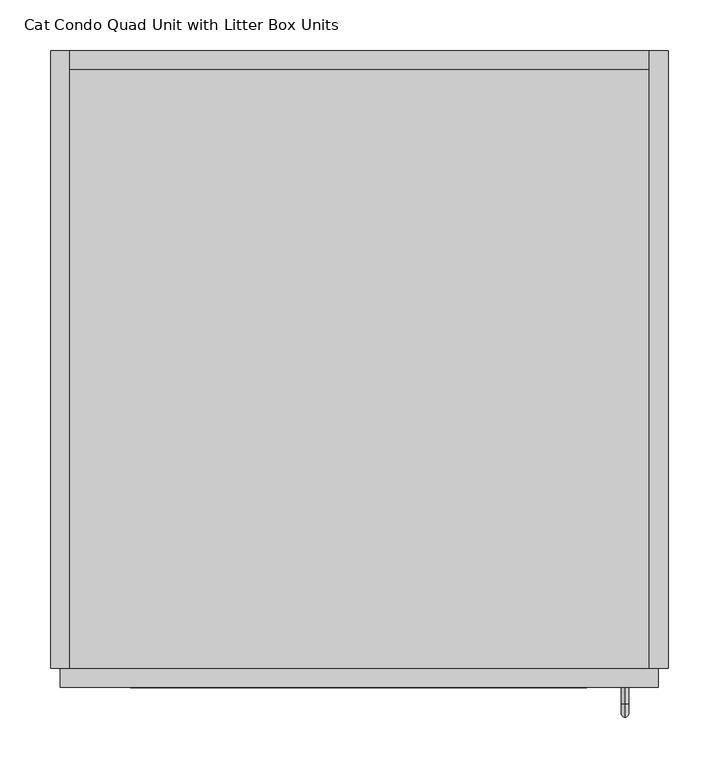
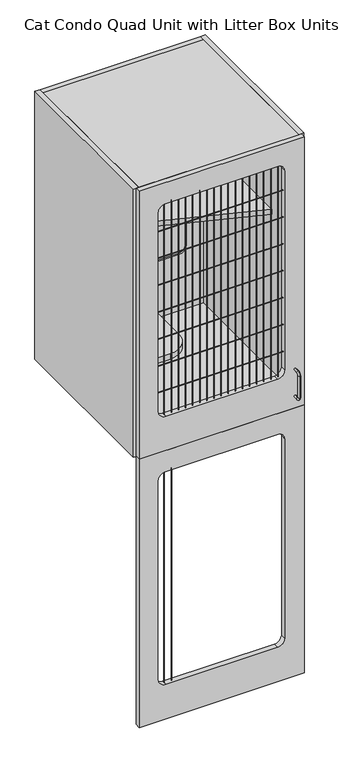
"""IFC4 building model written with IfcOpenShell, lengths in millimetres: proxy geometry, Cat Condo Quad Unit with Litter Box Units."""

from ifc_helpers import new_model, si_unit, point, frame, frame_2d, origin, place, context, project, spatial, polyline, circle_curve, ellipse_curve, trimmed, segment, composite_curve, outline, extrude, source, transform, mapped, element, save
from ifc_brep_helpers import plane_surface, cylinder_surface, revolved_surface, advanced_brep


def cat_condo_quad_unit_with_litter_box_units_dd599755(model_context):
    return source(origin(), model_context, "Body", "SolidModel", [
        extrude(outline(composite_curve([segment(trimmed(circle_curve(frame_2d((130.0919665, -9.6602248)), 0.79375), [point((129.2982165, -9.6602248))], [point((130.8857165, -9.6602248))], False, "CARTESIAN"), True, "CONTINUOUS"), segment(trimmed(circle_curve(frame_2d((130.0919665, -9.6602248)), 0.79375), [point((130.8857165, -9.6602248))], [point((129.2982165, -9.6602248))], False, "CARTESIAN"), True, "CONTINUOUS")], self_intersect=False)), frame((0.0, 0.0, 231.775), z_axis=(0.0, 0.0, 1.0), x_axis=(1.0, 0.0, 0.0)), (0.0, 0.0, 1.0), 803.275),
        extrude(outline(composite_curve([segment(trimmed(circle_curve(frame_2d((104.6919665, -9.6602248)), 0.79375), [point((103.8982165, -9.6602248))], [point((105.4857165, -9.6602248))], False, "CARTESIAN"), True, "CONTINUOUS"), segment(trimmed(circle_curve(frame_2d((104.6919665, -9.6602248)), 0.79375), [point((105.4857165, -9.6602248))], [point((103.8982165, -9.6602248))], False, "CARTESIAN"), True, "CONTINUOUS")], self_intersect=False)), frame((0.0, 0.0, 231.775), z_axis=(0.0, 0.0, 1.0), x_axis=(1.0, 0.0, 0.0)), (0.0, 0.0, 1.0), 803.275),
        extrude(outline(polyline([(1114.425, 600.075), (1114.425, 9.525), (101.6, 9.525), (101.6, 600.075), (1114.425, 600.075)]), holes=[composite_curve([segment(polyline([(1035.05, 103.98125), (1035.05, 504.03125)]), True, "CONTINUOUS"), segment(trimmed(circle_curve(frame_2d((1009.65, 504.03125)), 25.4), [point((1035.05, 504.03125))], [point((1009.65, 529.43125))], True, "CARTESIAN"), True, "CONTINUOUS"), segment(polyline([(1009.65, 529.43125), (257.175, 529.43125)]), True, "CONTINUOUS"), segment(trimmed(circle_curve(frame_2d((257.175, 504.03125)), 25.4), [point((257.175, 529.43125))], [point((231.775, 504.03125))], True, "CARTESIAN"), True, "CONTINUOUS"), segment(polyline([(231.775, 504.03125), (231.775, 103.98125)]), True, "CONTINUOUS"), segment(trimmed(circle_curve(frame_2d((257.175, 103.98125)), 25.4), [point((231.775, 103.98125))], [point((257.175, 78.58125))], True, "CARTESIAN"), True, "CONTINUOUS"), segment(polyline([(257.175, 78.58125), (1009.65, 78.58125)]), True, "CONTINUOUS"), segment(trimmed(circle_curve(frame_2d((1009.65, 103.98125)), 25.4), [point((1009.65, 78.58125))], [point((1035.05, 103.98125))], True, "CARTESIAN"), True, "CONTINUOUS")], self_intersect=False)]), frame((0.0, -19.05, 0.0), z_axis=(0.0, 1.0, 0.0), x_axis=(0.0, 0.0, 1.0)), (0.0, 0.0, 1.0), 19.05),
        advanced_brep(
        [(567.1128423, -19.05, 1256.5493154), (567.1128423, -19.05, 1264.4006846), (567.1128423, -35.2117768, 1256.5493154), (567.1128423, -35.2117768, 1264.4006846), (567.1128423, -48.3756846, 1251.2367768), (567.1128423, -40.5243154, 1251.2367768), (567.1128423, -40.5243154, 1168.1132232), (567.1128423, -48.3756846, 1168.1132232), (567.1128423, -35.2117768, 1154.9493154), (567.1128423, -35.2117768, 1162.8006846), (567.1128423, -19.05, 1162.8006846), (567.1128423, -19.05, 1154.9493154)],
        [
            (0, 1, circle_curve(frame((567.1128423, -19.05, 1260.475), z_axis=(0.0, 1.0, 0.0), x_axis=(0.0, 0.0, 1.0)), 3.9256846)),
            (1, 0, circle_curve(frame((567.1128423, -19.05, 1260.475), z_axis=(0.0, 1.0, 0.0), x_axis=(0.0, 0.0, 1.0)), 3.9256846)),
            (0, 2),
            (2, 3, circle_curve(frame((567.1128423, -35.2117768, 1260.475), z_axis=(0.0, 1.0, 0.0), x_axis=(0.0, 0.0, 1.0)), 3.9256846)),
            (3, 1),
            (3, 2, circle_curve(frame((567.1128423, -35.2117768, 1260.475), z_axis=(0.0, 1.0, 0.0), x_axis=(0.0, 0.0, 1.0)), 3.9256846)),
            (4, 3, circle_curve(frame((567.1128423, -35.2117768, 1251.2367768), z_axis=(-1.0, 0.0, 0.0), x_axis=(0.0, 0.0, 1.0)), 13.1639078)),
            (2, 5, circle_curve(frame((567.1128423, -35.2117768, 1251.2367768), z_axis=(1.0, 0.0, 0.0), x_axis=(0.0, 0.0, 1.0)), 5.3125387)),
            (5, 4, circle_curve(frame((567.1128423, -44.45, 1251.2367768), z_axis=(0.0, 0.0, 1.0), x_axis=(0.0, -1.0, 0.0)), 3.9256846)),
            (4, 5, circle_curve(frame((567.1128423, -44.45, 1251.2367768), z_axis=(0.0, 0.0, 1.0), x_axis=(0.0, -1.0, 0.0)), 3.9256846)),
            (5, 6),
            (6, 7, circle_curve(frame((567.1128423, -44.45, 1168.1132232), z_axis=(0.0, 0.0, 1.0), x_axis=(0.0, -1.0, 0.0)), 3.9256846)),
            (7, 4),
            (7, 6, circle_curve(frame((567.1128423, -44.45, 1168.1132232), z_axis=(0.0, 0.0, 1.0), x_axis=(0.0, -1.0, 0.0)), 3.9256846)),
            (8, 7, circle_curve(frame((567.1128423, -35.2117768, 1168.1132232), z_axis=(-1.0, 0.0, 0.0), x_axis=(0.0, -1.0, 0.0)), 13.1639078)),
            (6, 9, circle_curve(frame((567.1128423, -35.2117768, 1168.1132232), z_axis=(1.0, 0.0, 0.0), x_axis=(0.0, -1.0, 0.0)), 5.3125387)),
            (9, 8, circle_curve(frame((567.1128423, -35.2117768, 1158.875), z_axis=(0.0, -1.0, 0.0), x_axis=(0.0, 0.0, -1.0)), 3.9256846)),
            (8, 9, circle_curve(frame((567.1128423, -35.2117768, 1158.875), z_axis=(0.0, -1.0, 0.0), x_axis=(0.0, 0.0, -1.0)), 3.9256846)),
            (10, 11, circle_curve(frame((567.1128423, -19.05, 1158.875), z_axis=(0.0, 1.0, 0.0), x_axis=(0.0, 0.0, -1.0)), 3.9256846)),
            (11, 10, circle_curve(frame((567.1128423, -19.05, 1158.875), z_axis=(0.0, 1.0, 0.0), x_axis=(0.0, 0.0, -1.0)), 3.9256846)),
            (9, 10),
            (11, 8),
        ],
        [
            plane_surface(frame((567.1128423, -19.05, 1260.475), z_axis=(0.0, 1.0, 0.0), x_axis=(1.0, 0.0, 0.0))),
            cylinder_surface(frame((567.1128423, -19.05, 1260.475), z_axis=(0.0, 1.0, 0.0), x_axis=(0.0, 0.0, 1.0)), 3.9256846),
            revolved_surface(trimmed(ellipse_curve(frame((567.1128423, -35.2117768, 1260.475), z_axis=(0.0, 1.0, 0.0), x_axis=(0.0, 0.0, 1.0)), 3.9256846, 3.9256846), [point((567.1128423, -35.2117768, 1256.5493154))], [point((567.1128423, -35.2117768, 1264.4006846))], True, "CARTESIAN"), (567.1128423, -35.2117768, 1251.2367768), (1.0, 0.0, 0.0)),
            revolved_surface(trimmed(ellipse_curve(frame((567.1128423, -35.2117768, 1260.475), z_axis=(0.0, 1.0, 0.0), x_axis=(0.0, 0.0, 1.0)), 3.9256846, 3.9256846), [point((567.1128423, -35.2117768, 1264.4006846))], [point((567.1128423, -35.2117768, 1256.5493154))], True, "CARTESIAN"), (567.1128423, -35.2117768, 1251.2367768), (1.0, 0.0, 0.0)),
            cylinder_surface(frame((567.1128423, -44.45, 1251.2367768), z_axis=(0.0, 0.0, 1.0), x_axis=(0.0, -1.0, 0.0)), 3.9256846),
            revolved_surface(trimmed(ellipse_curve(frame((567.1128423, -44.45, 1168.1132232), z_axis=(0.0, 0.0, 1.0), x_axis=(0.0, -1.0, 0.0)), 3.9256846, 3.9256846), [point((567.1128423, -40.5243154, 1168.1132232))], [point((567.1128423, -48.3756846, 1168.1132232))], True, "CARTESIAN"), (567.1128423, -35.2117768, 1168.1132232), (1.0, 0.0, 0.0)),
            revolved_surface(trimmed(ellipse_curve(frame((567.1128423, -44.45, 1168.1132232), z_axis=(0.0, 0.0, 1.0), x_axis=(0.0, -1.0, 0.0)), 3.9256846, 3.9256846), [point((567.1128423, -48.3756846, 1168.1132232))], [point((567.1128423, -40.5243154, 1168.1132232))], True, "CARTESIAN"), (567.1128423, -35.2117768, 1168.1132232), (1.0, 0.0, 0.0)),
            plane_surface(frame((567.1128423, -19.05, 1158.875), z_axis=(0.0, 1.0, 0.0), x_axis=(1.0, 0.0, 0.0))),
            cylinder_surface(frame((567.1128423, -35.2117768, 1158.875), z_axis=(0.0, -1.0, 0.0), x_axis=(0.0, 0.0, -1.0)), 3.9256846),
        ],
        [
            (0, [[1, 2]]),
            (1, [[-1, 3, 4, 5]]),
            (1, [[-2, -5, 6, -3]]),
            (2, [[7, -4, 8, 9]]),
            (3, [[-8, -6, -7, 10]]),
            (4, [[-9, 11, 12, 13]]),
            (4, [[-10, -13, 14, -11]]),
            (5, [[15, -12, 16, 17]]),
            (6, [[-16, -14, -15, 18]]),
            (7, [[19, 20]]),
            (8, [[-17, 21, -20, 22]]),
            (8, [[-18, -22, -19, -21]]),
        ],
    ),
        extrude(outline(polyline([(590.55, 590.55), (590.55, 0.0), (19.05, 0.0), (19.05, 590.55), (590.55, 590.55)])), frame((0.0, 0.0, 2108.2), z_axis=(0.0, 0.0, 1.0), x_axis=(1.0, 0.0, 0.0)), (0.0, 0.0, 1.0), 19.05),
        extrude(outline(composite_curve([segment(polyline([(2047.875, 504.03125), (2047.875, 103.98125)]), True, "CONTINUOUS"), segment(trimmed(circle_curve(frame_2d((2022.475, 103.98125)), 25.4), [point((2047.875, 103.98125))], [point((2022.475, 78.58125))], False, "CARTESIAN"), True, "CONTINUOUS"), segment(polyline([(2022.475, 78.58125), (1270.0, 78.58125)]), True, "CONTINUOUS"), segment(trimmed(circle_curve(frame_2d((1270.0, 103.98125)), 25.4), [point((1270.0, 78.58125))], [point((1244.6, 103.98125))], False, "CARTESIAN"), True, "CONTINUOUS"), segment(polyline([(1244.6, 103.98125), (1244.6, 504.03125)]), True, "CONTINUOUS"), segment(trimmed(circle_curve(frame_2d((1270.0, 504.03125)), 25.4), [point((1244.6, 504.03125))], [point((1270.0, 529.43125))], False, "CARTESIAN"), True, "CONTINUOUS"), segment(polyline([(1270.0, 529.43125), (2022.475, 529.43125)]), True, "CONTINUOUS"), segment(trimmed(circle_curve(frame_2d((2022.475, 504.03125)), 25.4), [point((2022.475, 529.43125))], [point((2047.875, 504.03125))], False, "CARTESIAN"), True, "CONTINUOUS")], self_intersect=False)), frame((0.0, 596.9, 0.0), z_axis=(0.0, 1.0, 0.0), x_axis=(0.0, 0.0, 1.0)), (0.0, 0.0, 1.0), 6.35),
        extrude(outline(polyline([(2127.25, 590.55), (2127.25, 19.05), (1114.425, 19.05), (1114.425, 590.55), (2127.25, 590.55)]), holes=[composite_curve([segment(polyline([(2022.475, 529.43125), (1371.6, 529.43125)]), True, "CONTINUOUS"), segment(trimmed(circle_curve(frame_2d((1371.6, 504.03125)), 25.4), [point((1371.6, 529.43125))], [point((1346.2, 504.03125))], True, "CARTESIAN"), True, "CONTINUOUS"), segment(polyline([(1346.2, 504.03125), (1346.2, 103.98125)]), True, "CONTINUOUS"), segment(trimmed(circle_curve(frame_2d((1371.6, 103.98125)), 25.4), [point((1346.2, 103.98125))], [point((1371.6, 78.58125))], True, "CARTESIAN"), True, "CONTINUOUS"), segment(polyline([(1371.6, 78.58125), (2022.475, 78.58125)]), True, "CONTINUOUS"), segment(trimmed(circle_curve(frame_2d((2022.475, 103.98125)), 25.4), [point((2022.475, 78.58125))], [point((2047.875, 103.98125))], True, "CARTESIAN"), True, "CONTINUOUS"), segment(polyline([(2047.875, 103.98125), (2047.875, 504.03125)]), True, "CONTINUOUS"), segment(trimmed(circle_curve(frame_2d((2022.475, 504.03125)), 25.4), [point((2047.875, 504.03125))], [point((2022.475, 529.43125))], True, "CARTESIAN"), True, "CONTINUOUS")], self_intersect=False)]), frame((0.0, 590.55, 0.0), z_axis=(0.0, 1.0, 0.0), x_axis=(0.0, 0.0, 1.0)), (0.0, 0.0, 1.0), 19.05),
        extrude(outline(polyline([(590.55, 590.55), (590.55, 166.6410111), (19.05, 374.65), (19.05, 590.55), (590.55, 590.55)])), frame((0.0, 0.0, 1724.025), z_axis=(0.0, 0.0, 1.0), x_axis=(1.0, 0.0, 0.0)), (0.0, 0.0, 1.0), 19.05),
        extrude(outline(composite_curve([segment(polyline([(222.25, 590.55), (222.25, 101.6)]), True, "CONTINUOUS"), segment(trimmed(circle_curve(frame_2d((146.05, 101.6)), 76.2), [point((222.25, 101.6))], [point((146.05, 25.4))], False, "CARTESIAN"), True, "CONTINUOUS"), segment(polyline([(146.05, 25.4), (19.05, 25.4), (19.05, 590.55), (222.25, 590.55)]), True, "CONTINUOUS")], self_intersect=False)), frame((0.0, 0.0, 1419.225), z_axis=(0.0, 0.0, 1.0), x_axis=(1.0, 0.0, 0.0)), (0.0, 0.0, 1.0), 19.05),
        extrude(outline(polyline([(590.55, 0.0), (19.05, 0.0), (19.05, 590.55), (590.55, 590.55), (590.55, 0.0)])), frame((0.0, 0.0, 1114.425), z_axis=(0.0, 0.0, 1.0), x_axis=(1.0, 0.0, 0.0)), (0.0, 0.0, 1.0), 19.05),
        extrude(outline(polyline([(590.55, 609.6), (609.6, 609.6), (609.6, 0.0), (590.55, 0.0), (590.55, 609.6)])), frame((0.0, 0.0, 1114.425), z_axis=(0.0, 0.0, 1.0), x_axis=(1.0, 0.0, 0.0)), (0.0, 0.0, 1.0), 1012.825),
        extrude(outline(polyline([(19.05, 609.6), (19.05, 0.0), (0.0, 0.0), (0.0, 609.6), (19.05, 609.6)])), frame((0.0, 0.0, 1114.425), z_axis=(0.0, 0.0, 1.0), x_axis=(1.0, 0.0, 0.0)), (0.0, 0.0, 1.0), 1012.825),
        extrude(outline(composite_curve([segment(trimmed(circle_curve(frame_2d((-9.6602248, 1944.6875)), 0.79375), [point((-9.6602248, 1945.48125))], [point((-9.6602248, 1943.89375))], False, "CARTESIAN"), True, "CONTINUOUS"), segment(trimmed(circle_curve(frame_2d((-9.6602248, 1944.6875)), 0.79375), [point((-9.6602248, 1943.89375))], [point((-9.6602248, 1945.48125))], False, "CARTESIAN"), True, "CONTINUOUS")], self_intersect=False)), frame((78.58125, 0.0, 0.0), z_axis=(1.0, 0.0, 0.0), x_axis=(0.0, 1.0, 0.0)), (0.0, 0.0, 1.0), 450.85),
        extrude(outline(composite_curve([segment(trimmed(circle_curve(frame_2d((-9.6602248, 1843.0875)), 0.79375), [point((-9.6602248, 1843.88125))], [point((-9.6602248, 1842.29375))], False, "CARTESIAN"), True, "CONTINUOUS"), segment(trimmed(circle_curve(frame_2d((-9.6602248, 1843.0875)), 0.79375), [point((-9.6602248, 1842.29375))], [point((-9.6602248, 1843.88125))], False, "CARTESIAN"), True, "CONTINUOUS")], self_intersect=False)), frame((78.58125, 0.0, 0.0), z_axis=(1.0, 0.0, 0.0), x_axis=(0.0, 1.0, 0.0)), (0.0, 0.0, 1.0), 450.85),
        extrude(outline(composite_curve([segment(trimmed(circle_curve(frame_2d((-9.6602248, 1741.4875)), 0.79375), [point((-9.6602248, 1742.28125))], [point((-9.6602248, 1740.69375))], False, "CARTESIAN"), True, "CONTINUOUS"), segment(trimmed(circle_curve(frame_2d((-9.6602248, 1741.4875)), 0.79375), [point((-9.6602248, 1740.69375))], [point((-9.6602248, 1742.28125))], False, "CARTESIAN"), True, "CONTINUOUS")], self_intersect=False)), frame((78.58125, 0.0, 0.0), z_axis=(1.0, 0.0, 0.0), x_axis=(0.0, 1.0, 0.0)), (0.0, 0.0, 1.0), 450.85),
        extrude(outline(composite_curve([segment(trimmed(circle_curve(frame_2d((-9.6602248, 1639.8875)), 0.79375), [point((-9.6602248, 1640.68125))], [point((-9.6602248, 1639.09375))], False, "CARTESIAN"), True, "CONTINUOUS"), segment(trimmed(circle_curve(frame_2d((-9.6602248, 1639.8875)), 0.79375), [point((-9.6602248, 1639.09375))], [point((-9.6602248, 1640.68125))], False, "CARTESIAN"), True, "CONTINUOUS")], self_intersect=False)), frame((78.58125, 0.0, 0.0), z_axis=(1.0, 0.0, 0.0), x_axis=(0.0, 1.0, 0.0)), (0.0, 0.0, 1.0), 450.85),
        extrude(outline(composite_curve([segment(trimmed(circle_curve(frame_2d((-9.6602248, 1538.2875)), 0.79375), [point((-9.6602248, 1539.08125))], [point((-9.6602248, 1537.49375))], False, "CARTESIAN"), True, "CONTINUOUS"), segment(trimmed(circle_curve(frame_2d((-9.6602248, 1538.2875)), 0.79375), [point((-9.6602248, 1537.49375))], [point((-9.6602248, 1539.08125))], False, "CARTESIAN"), True, "CONTINUOUS")], self_intersect=False)), frame((78.58125, 0.0, 0.0), z_axis=(1.0, 0.0, 0.0), x_axis=(0.0, 1.0, 0.0)), (0.0, 0.0, 1.0), 450.85),
        extrude(outline(composite_curve([segment(trimmed(circle_curve(frame_2d((-9.6602248, 1436.6875)), 0.79375), [point((-9.6602248, 1437.48125))], [point((-9.6602248, 1435.89375))], False, "CARTESIAN"), True, "CONTINUOUS"), segment(trimmed(circle_curve(frame_2d((-9.6602248, 1436.6875)), 0.79375), [point((-9.6602248, 1435.89375))], [point((-9.6602248, 1437.48125))], False, "CARTESIAN"), True, "CONTINUOUS")], self_intersect=False)), frame((78.58125, 0.0, 0.0), z_axis=(1.0, 0.0, 0.0), x_axis=(0.0, 1.0, 0.0)), (0.0, 0.0, 1.0), 450.85),
        extrude(outline(composite_curve([segment(trimmed(circle_curve(frame_2d((-9.6602248, 1335.0875)), 0.79375), [point((-9.6602248, 1335.88125))], [point((-9.6602248, 1334.29375))], False, "CARTESIAN"), True, "CONTINUOUS"), segment(trimmed(circle_curve(frame_2d((-9.6602248, 1335.0875)), 0.79375), [point((-9.6602248, 1334.29375))], [point((-9.6602248, 1335.88125))], False, "CARTESIAN"), True, "CONTINUOUS")], self_intersect=False)), frame((78.58125, 0.0, 0.0), z_axis=(1.0, 0.0, 0.0), x_axis=(0.0, 1.0, 0.0)), (0.0, 0.0, 1.0), 450.85),
        extrude(outline(composite_curve([segment(trimmed(circle_curve(frame_2d((511.0919665, -9.6602248)), 0.79375), [point((510.2982165, -9.6602248))], [point((511.8857165, -9.6602248))], False, "CARTESIAN"), True, "CONTINUOUS"), segment(trimmed(circle_curve(frame_2d((511.0919665, -9.6602248)), 0.79375), [point((511.8857165, -9.6602248))], [point((510.2982165, -9.6602248))], False, "CARTESIAN"), True, "CONTINUOUS")], self_intersect=False)), frame((0.0, 0.0, 1244.6), z_axis=(0.0, 0.0, 1.0), x_axis=(1.0, 0.0, 0.0)), (0.0, 0.0, 1.0), 803.275),
        extrude(outline(composite_curve([segment(trimmed(circle_curve(frame_2d((485.6919665, -9.6602248)), 0.79375), [point((484.8982165, -9.6602248))], [point((486.4857165, -9.6602248))], False, "CARTESIAN"), True, "CONTINUOUS"), segment(trimmed(circle_curve(frame_2d((485.6919665, -9.6602248)), 0.79375), [point((486.4857165, -9.6602248))], [point((484.8982165, -9.6602248))], False, "CARTESIAN"), True, "CONTINUOUS")], self_intersect=False)), frame((0.0, 0.0, 1244.6), z_axis=(0.0, 0.0, 1.0), x_axis=(1.0, 0.0, 0.0)), (0.0, 0.0, 1.0), 803.275),
        extrude(outline(composite_curve([segment(trimmed(circle_curve(frame_2d((460.2919665, -9.6602248)), 0.79375), [point((459.4982165, -9.6602248))], [point((461.0857165, -9.6602248))], False, "CARTESIAN"), True, "CONTINUOUS"), segment(trimmed(circle_curve(frame_2d((460.2919665, -9.6602248)), 0.79375), [point((461.0857165, -9.6602248))], [point((459.4982165, -9.6602248))], False, "CARTESIAN"), True, "CONTINUOUS")], self_intersect=False)), frame((0.0, 0.0, 1244.6), z_axis=(0.0, 0.0, 1.0), x_axis=(1.0, 0.0, 0.0)), (0.0, 0.0, 1.0), 803.275),
        extrude(outline(composite_curve([segment(trimmed(circle_curve(frame_2d((434.8919665, -9.6602248)), 0.79375), [point((434.0982165, -9.6602248))], [point((435.6857165, -9.6602248))], False, "CARTESIAN"), True, "CONTINUOUS"), segment(trimmed(circle_curve(frame_2d((434.8919665, -9.6602248)), 0.79375), [point((435.6857165, -9.6602248))], [point((434.0982165, -9.6602248))], False, "CARTESIAN"), True, "CONTINUOUS")], self_intersect=False)), frame((0.0, 0.0, 1244.6), z_axis=(0.0, 0.0, 1.0), x_axis=(1.0, 0.0, 0.0)), (0.0, 0.0, 1.0), 803.275),
        extrude(outline(composite_curve([segment(trimmed(circle_curve(frame_2d((409.4919665, -9.6602248)), 0.79375), [point((408.6982165, -9.6602248))], [point((410.2857165, -9.6602248))], False, "CARTESIAN"), True, "CONTINUOUS"), segment(trimmed(circle_curve(frame_2d((409.4919665, -9.6602248)), 0.79375), [point((410.2857165, -9.6602248))], [point((408.6982165, -9.6602248))], False, "CARTESIAN"), True, "CONTINUOUS")], self_intersect=False)), frame((0.0, 0.0, 1244.6), z_axis=(0.0, 0.0, 1.0), x_axis=(1.0, 0.0, 0.0)), (0.0, 0.0, 1.0), 803.275),
        extrude(outline(composite_curve([segment(trimmed(circle_curve(frame_2d((384.0919665, -9.6602248)), 0.79375), [point((383.2982165, -9.6602248))], [point((384.8857165, -9.6602248))], False, "CARTESIAN"), True, "CONTINUOUS"), segment(trimmed(circle_curve(frame_2d((384.0919665, -9.6602248)), 0.79375), [point((384.8857165, -9.6602248))], [point((383.2982165, -9.6602248))], False, "CARTESIAN"), True, "CONTINUOUS")], self_intersect=False)), frame((0.0, 0.0, 1244.6), z_axis=(0.0, 0.0, 1.0), x_axis=(1.0, 0.0, 0.0)), (0.0, 0.0, 1.0), 803.275),
        extrude(outline(composite_curve([segment(trimmed(circle_curve(frame_2d((358.6919665, -9.6602248)), 0.79375), [point((357.8982165, -9.6602248))], [point((359.4857165, -9.6602248))], False, "CARTESIAN"), True, "CONTINUOUS"), segment(trimmed(circle_curve(frame_2d((358.6919665, -9.6602248)), 0.79375), [point((359.4857165, -9.6602248))], [point((357.8982165, -9.6602248))], False, "CARTESIAN"), True, "CONTINUOUS")], self_intersect=False)), frame((0.0, 0.0, 1244.6), z_axis=(0.0, 0.0, 1.0), x_axis=(1.0, 0.0, 0.0)), (0.0, 0.0, 1.0), 803.275),
        extrude(outline(composite_curve([segment(trimmed(circle_curve(frame_2d((333.2919665, -9.6602248)), 0.79375), [point((332.4982165, -9.6602248))], [point((334.0857165, -9.6602248))], False, "CARTESIAN"), True, "CONTINUOUS"), segment(trimmed(circle_curve(frame_2d((333.2919665, -9.6602248)), 0.79375), [point((334.0857165, -9.6602248))], [point((332.4982165, -9.6602248))], False, "CARTESIAN"), True, "CONTINUOUS")], self_intersect=False)), frame((0.0, 0.0, 1244.6), z_axis=(0.0, 0.0, 1.0), x_axis=(1.0, 0.0, 0.0)), (0.0, 0.0, 1.0), 803.275),
        extrude(outline(composite_curve([segment(trimmed(circle_curve(frame_2d((307.8919665, -9.6602248)), 0.79375), [point((307.0982165, -9.6602248))], [point((308.6857165, -9.6602248))], False, "CARTESIAN"), True, "CONTINUOUS"), segment(trimmed(circle_curve(frame_2d((307.8919665, -9.6602248)), 0.79375), [point((308.6857165, -9.6602248))], [point((307.0982165, -9.6602248))], False, "CARTESIAN"), True, "CONTINUOUS")], self_intersect=False)), frame((0.0, 0.0, 1244.6), z_axis=(0.0, 0.0, 1.0), x_axis=(1.0, 0.0, 0.0)), (0.0, 0.0, 1.0), 803.275),
        extrude(outline(composite_curve([segment(trimmed(circle_curve(frame_2d((282.4919665, -9.6602248)), 0.79375), [point((281.6982165, -9.6602248))], [point((283.2857165, -9.6602248))], False, "CARTESIAN"), True, "CONTINUOUS"), segment(trimmed(circle_curve(frame_2d((282.4919665, -9.6602248)), 0.79375), [point((283.2857165, -9.6602248))], [point((281.6982165, -9.6602248))], False, "CARTESIAN"), True, "CONTINUOUS")], self_intersect=False)), frame((0.0, 0.0, 1244.6), z_axis=(0.0, 0.0, 1.0), x_axis=(1.0, 0.0, 0.0)), (0.0, 0.0, 1.0), 803.275),
        extrude(outline(composite_curve([segment(trimmed(circle_curve(frame_2d((257.0919665, -9.6602248)), 0.79375), [point((256.2982165, -9.6602248))], [point((257.8857165, -9.6602248))], False, "CARTESIAN"), True, "CONTINUOUS"), segment(trimmed(circle_curve(frame_2d((257.0919665, -9.6602248)), 0.79375), [point((257.8857165, -9.6602248))], [point((256.2982165, -9.6602248))], False, "CARTESIAN"), True, "CONTINUOUS")], self_intersect=False)), frame((0.0, 0.0, 1244.6), z_axis=(0.0, 0.0, 1.0), x_axis=(1.0, 0.0, 0.0)), (0.0, 0.0, 1.0), 803.275),
        extrude(outline(composite_curve([segment(trimmed(circle_curve(frame_2d((231.6919665, -9.6602248)), 0.79375), [point((230.8982165, -9.6602248))], [point((232.4857165, -9.6602248))], False, "CARTESIAN"), True, "CONTINUOUS"), segment(trimmed(circle_curve(frame_2d((231.6919665, -9.6602248)), 0.79375), [point((232.4857165, -9.6602248))], [point((230.8982165, -9.6602248))], False, "CARTESIAN"), True, "CONTINUOUS")], self_intersect=False)), frame((0.0, 0.0, 1244.6), z_axis=(0.0, 0.0, 1.0), x_axis=(1.0, 0.0, 0.0)), (0.0, 0.0, 1.0), 803.275),
        extrude(outline(composite_curve([segment(trimmed(circle_curve(frame_2d((206.2919665, -9.6602248)), 0.79375), [point((205.4982165, -9.6602248))], [point((207.0857165, -9.6602248))], False, "CARTESIAN"), True, "CONTINUOUS"), segment(trimmed(circle_curve(frame_2d((206.2919665, -9.6602248)), 0.79375), [point((207.0857165, -9.6602248))], [point((205.4982165, -9.6602248))], False, "CARTESIAN"), True, "CONTINUOUS")], self_intersect=False)), frame((0.0, 0.0, 1244.6), z_axis=(0.0, 0.0, 1.0), x_axis=(1.0, 0.0, 0.0)), (0.0, 0.0, 1.0), 803.275),
        extrude(outline(composite_curve([segment(trimmed(circle_curve(frame_2d((180.8919665, -9.6602248)), 0.79375), [point((180.0982165, -9.6602248))], [point((181.6857165, -9.6602248))], False, "CARTESIAN"), True, "CONTINUOUS"), segment(trimmed(circle_curve(frame_2d((180.8919665, -9.6602248)), 0.79375), [point((181.6857165, -9.6602248))], [point((180.0982165, -9.6602248))], False, "CARTESIAN"), True, "CONTINUOUS")], self_intersect=False)), frame((0.0, 0.0, 1244.6), z_axis=(0.0, 0.0, 1.0), x_axis=(1.0, 0.0, 0.0)), (0.0, 0.0, 1.0), 803.275),
        extrude(outline(composite_curve([segment(trimmed(circle_curve(frame_2d((155.4919665, -9.6602248)), 0.79375), [point((154.6982165, -9.6602248))], [point((156.2857165, -9.6602248))], False, "CARTESIAN"), True, "CONTINUOUS"), segment(trimmed(circle_curve(frame_2d((155.4919665, -9.6602248)), 0.79375), [point((156.2857165, -9.6602248))], [point((154.6982165, -9.6602248))], False, "CARTESIAN"), True, "CONTINUOUS")], self_intersect=False)), frame((0.0, 0.0, 1244.6), z_axis=(0.0, 0.0, 1.0), x_axis=(1.0, 0.0, 0.0)), (0.0, 0.0, 1.0), 803.275),
        extrude(outline(composite_curve([segment(trimmed(circle_curve(frame_2d((130.0919665, -9.6602248)), 0.79375), [point((129.2982165, -9.6602248))], [point((130.8857165, -9.6602248))], False, "CARTESIAN"), True, "CONTINUOUS"), segment(trimmed(circle_curve(frame_2d((130.0919665, -9.6602248)), 0.79375), [point((130.8857165, -9.6602248))], [point((129.2982165, -9.6602248))], False, "CARTESIAN"), True, "CONTINUOUS")], self_intersect=False)), frame((0.0, 0.0, 1244.6), z_axis=(0.0, 0.0, 1.0), x_axis=(1.0, 0.0, 0.0)), (0.0, 0.0, 1.0), 803.275),
        extrude(outline(composite_curve([segment(trimmed(circle_curve(frame_2d((104.6919665, -9.6602248)), 0.79375), [point((103.8982165, -9.6602248))], [point((105.4857165, -9.6602248))], False, "CARTESIAN"), True, "CONTINUOUS"), segment(trimmed(circle_curve(frame_2d((104.6919665, -9.6602248)), 0.79375), [point((105.4857165, -9.6602248))], [point((103.8982165, -9.6602248))], False, "CARTESIAN"), True, "CONTINUOUS")], self_intersect=False)), frame((0.0, 0.0, 1244.6), z_axis=(0.0, 0.0, 1.0), x_axis=(1.0, 0.0, 0.0)), (0.0, 0.0, 1.0), 803.275),
        extrude(outline(polyline([(2127.25, 600.075), (2127.25, 9.525), (1114.425, 9.525), (1114.425, 600.075), (2127.25, 600.075)]), holes=[composite_curve([segment(polyline([(2047.875, 103.98125), (2047.875, 504.03125)]), True, "CONTINUOUS"), segment(trimmed(circle_curve(frame_2d((2022.475, 504.03125)), 25.4), [point((2047.875, 504.03125))], [point((2022.475, 529.43125))], True, "CARTESIAN"), True, "CONTINUOUS"), segment(polyline([(2022.475, 529.43125), (1270.0, 529.43125)]), True, "CONTINUOUS"), segment(trimmed(circle_curve(frame_2d((1270.0, 504.03125)), 25.4), [point((1270.0, 529.43125))], [point((1244.6, 504.03125))], True, "CARTESIAN"), True, "CONTINUOUS"), segment(polyline([(1244.6, 504.03125), (1244.6, 103.98125)]), True, "CONTINUOUS"), segment(trimmed(circle_curve(frame_2d((1270.0, 103.98125)), 25.4), [point((1244.6, 103.98125))], [point((1270.0, 78.58125))], True, "CARTESIAN"), True, "CONTINUOUS"), segment(polyline([(1270.0, 78.58125), (2022.475, 78.58125)]), True, "CONTINUOUS"), segment(trimmed(circle_curve(frame_2d((2022.475, 103.98125)), 25.4), [point((2022.475, 78.58125))], [point((2047.875, 103.98125))], True, "CARTESIAN"), True, "CONTINUOUS")], self_intersect=False)]), frame((0.0, -19.05, 0.0), z_axis=(0.0, 1.0, 0.0), x_axis=(0.0, 0.0, 1.0)), (0.0, 0.0, 1.0), 19.05),
    ])


if __name__ == "__main__":
    model = new_model("IFC4")
    model_context = context("Model", 3, world=origin())
    ifc_project = project(units=[si_unit("LENGTHUNIT", "METRE", prefix="MILLI")], contexts=[model_context])
    site = spatial("IfcSite", under=ifc_project)
    building = spatial("IfcBuilding", under=site)
    placement = place(None, origin())
    cat_condo_quad_unit_with_litter_box_units_shape = cat_condo_quad_unit_with_litter_box_units_dd599755(model_context)
    element("IfcBuildingElementProxy", 1, Name="Cat Condo Quad Unit with Litter Box Units", ObjectType="Cat Condo Quad Unit with Litter Box Units", at=placement, inside=building, context=model_context, shape_type="MappedRepresentation", body=[
        mapped(cat_condo_quad_unit_with_litter_box_units_shape, transform((0.0, 0.0, 0.0), x_axis=(1.0, 0.0, 0.0), y_axis=(0.0, 1.0, 0.0), z_axis=(0.0, 0.0, 1.0))),
    ])
    save(model, "model.ifc")
